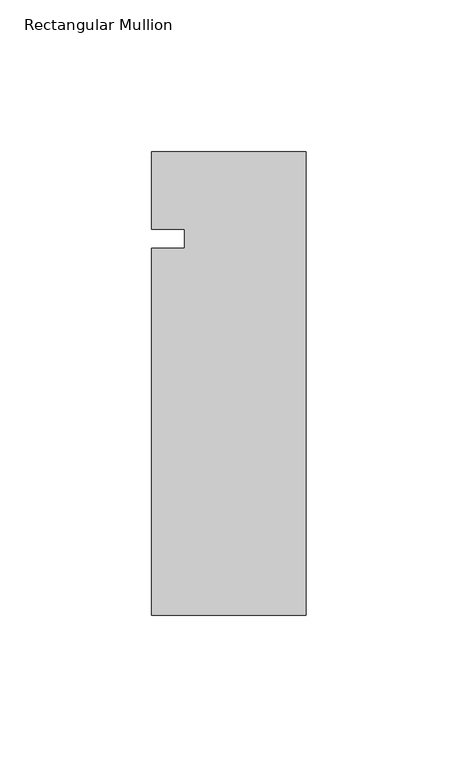
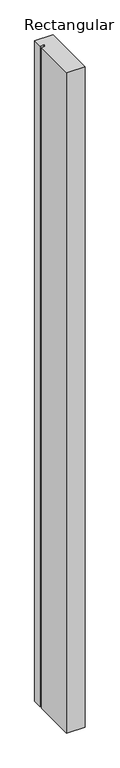
"""IFC4 building model written with IfcOpenShell, lengths in millimetres: member geometry, Rectangular Mullion."""

from ifc_helpers import new_model, si_unit, frame, origin, place, context, project, spatial, polyline, outline, extrude, source, transform, mapped, element, save


def rectangular_mullion_3bafad2b(model_context):
    return source(origin(), model_context, "Body", "SweptSolid", [
        extrude(outline(polyline([(0.0, -152.4), (-50.8, -152.4), (-50.8, -31.75), (-40.0803063, -31.75), (-40.0803063, -25.4), (-50.8, -25.4), (-50.8, 0.0), (0.0, 0.0), (0.0, -152.4)])), frame((0.0, 0.0, -1930.400584), z_axis=(0.0, 0.0, 1.0), x_axis=(1.0, 0.0, 0.0)), (0.0, 0.0, 1.0), 1930.400584),
    ])


if __name__ == "__main__":
    model = new_model("IFC4")
    model_context = context("Model", 3, world=origin())
    ifc_project = project(units=[si_unit("LENGTHUNIT", "METRE", prefix="MILLI")], contexts=[model_context])
    site = spatial("IfcSite", under=ifc_project)
    building = spatial("IfcBuilding", under=site)
    placement = place(None, origin())
    rectangular_mullion_shape = rectangular_mullion_3bafad2b(model_context)
    element("IfcMember", 1, ObjectType="Rectangular Mullion", at=placement, inside=building, context=model_context, shape_type="MappedRepresentation", body=[
        mapped(rectangular_mullion_shape, transform((0.0, 0.0, 0.0), x_axis=(1.0, 0.0, 0.0), y_axis=(0.0, 1.0, 0.0), z_axis=(0.0, 0.0, 1.0))),
    ])
    save(model, "model.ifc")
